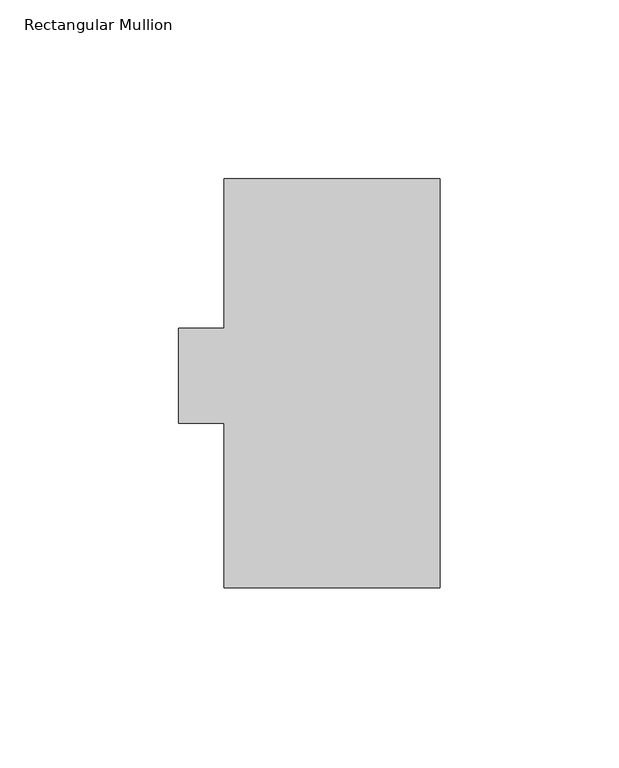
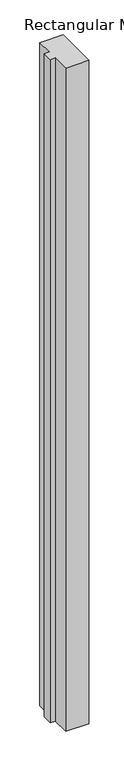
"""IFC4 building model written with IfcOpenShell, lengths in millimetres: member geometry, Rectangular Mullion."""

import ifcopenshell
import ifcopenshell.guid

model = None  # the IFC model being written
_history = None  # IfcOwnerHistory: only IFC2X3 demands one
_inside = {}  # id of a spatial element -> (the spatial element, [elements in it])
_under = {}  # id of a project, library or spatial element -> (it, [spatial elements below it])
_declared = {}  # id of a project -> (the project, [libraries it declares])
_typed = {}  # id of a type object -> (the type object, [elements of that type])
_made_of = {}  # id of a material, layer set ... -> (it, [elements and type objects made of it])


def new_model(schema):
    """Start an empty IFC model of exactly this schema.

    Asked for "IFC4X3", IfcOpenShell would pick the latest addendum, in which some entities
    have other attributes; the version numbers below select the first issue.
    IFC2X3 requires an IfcOwnerHistory on every rooted entity: one is made here for all.
    """
    global model, _history
    if schema == "IFC4X3":
        model = ifcopenshell.file(schema_version=(4, 3, 0, 0))
    else:
        model = ifcopenshell.file(schema=schema)
    _inside.clear()
    _under.clear()
    _declared.clear()
    _typed.clear()
    _made_of.clear()
    _history = None
    if model.schema == "IFC2X3":
        org = make("IfcOrganization", Name="unknown")
        user = make(
            "IfcPersonAndOrganization",
            ThePerson=make("IfcPerson", FamilyName="unknown"),
            TheOrganization=org,
        )
        app = make(
            "IfcApplication",
            ApplicationDeveloper=org,
            Version="unknown",
            ApplicationFullName="unknown",
            ApplicationIdentifier="unknown",
        )
        _history = make(
            "IfcOwnerHistory",
            OwningUser=user,
            OwningApplication=app,
            ChangeAction="ADDED",
            CreationDate=0,
        )
    return model


def make(cls, **values):
    """One entity of the class cls with the attributes given. An attribute that is None is left unset."""
    return model.create_entity(
        cls, **{name: value for name, value in values.items() if value is not None}
    )


def rooted(cls, **values):
    """An entity with a GlobalId (a new one), such as an element, a storey or a relation."""
    return make(cls, GlobalId=ifcopenshell.guid.new(), OwnerHistory=_history, **values)


def si_unit(unit_type, name, prefix=None):
    """IfcSIUnit, for example si_unit("LENGTHUNIT", "METRE", prefix="MILLI")."""
    return make("IfcSIUnit", UnitType=unit_type, Prefix=prefix, Name=name)


def assignment(units):
    """IfcUnitAssignment: the units of a project."""
    return None if units is None else make("IfcUnitAssignment", Units=units)


def point(xyz):
    """IfcCartesianPoint."""
    return None if xyz is None else make("IfcCartesianPoint", Coordinates=xyz)


def direction(xyz):
    """IfcDirection."""
    return None if xyz is None else make("IfcDirection", DirectionRatios=xyz)


def frame(location, z_axis=None, x_axis=None):
    """IfcAxis2Placement3D, a coordinate frame: its origin and axes. An axis left out is left unset."""
    return make(
        "IfcAxis2Placement3D",
        Location=point(location),
        Axis=direction(z_axis),
        RefDirection=direction(x_axis),
    )


def origin():
    """The frame at (0, 0, 0) with its axes left unset."""
    return frame((0.0, 0.0, 0.0))


def place(relative_to, where):
    """IfcLocalPlacement: puts the frame where relative to a parent placement (None: the world)."""
    return make(
        "IfcLocalPlacement", PlacementRelTo=relative_to, RelativePlacement=where
    )


def context(
    kind, dimensions, precision=None, world=None, true_north=None, identifier=None
):
    """IfcGeometricRepresentationContext, for example the 3D "Model" context."""
    return make(
        "IfcGeometricRepresentationContext",
        ContextIdentifier=identifier,
        ContextType=kind,
        CoordinateSpaceDimension=dimensions,
        Precision=precision,
        WorldCoordinateSystem=world,
        TrueNorth=true_north,
    )


def project(units=None, contexts=None):
    """IfcProject with its units and contexts."""
    return rooted(
        "IfcProject",
        Name="project",
        RepresentationContexts=contexts,
        UnitsInContext=assignment(units),
    )


def spatial(cls, under=None, at=None, **own):
    """A site, building, storey or space (cls), placed at a placement, below another one or the project."""
    s = rooted(cls, ObjectPlacement=at, **own)
    if under is not None:
        _under.setdefault(under.id(), (under, []))[1].append(s)
    return s


def polyline(points):
    """IfcPolyline through the points."""
    return make("IfcPolyline", Points=[point(p) for p in points])


def outline(outer, holes=None, kind="AREA"):
    """IfcArbitraryClosedProfileDef: a profile drawn as a closed curve; with holes, ...WithVoids."""
    if holes is None:
        return make("IfcArbitraryClosedProfileDef", ProfileType=kind, OuterCurve=outer)
    return make(
        "IfcArbitraryProfileDefWithVoids",
        ProfileType=kind,
        OuterCurve=outer,
        InnerCurves=holes,
    )


def extrude(swept, where, along, depth):
    """IfcExtrudedAreaSolid: the profile swept, set in the frame where, extruded along a direction by depth."""
    return make(
        "IfcExtrudedAreaSolid",
        SweptArea=swept,
        Position=where,
        ExtrudedDirection=direction(along),
        Depth=depth,
    )


def shape(context_of_items, identifier, shape_type, items):
    """IfcShapeRepresentation: the items that make up one representation, for example the "Body"."""
    return make(
        "IfcShapeRepresentation",
        ContextOfItems=context_of_items,
        RepresentationIdentifier=identifier,
        RepresentationType=shape_type,
        Items=items,
    )


def source(mapping_origin, context_of_items, identifier, shape_type, items):
    """IfcRepresentationMap: a shape defined once, which mapped items show again and again."""
    return make(
        "IfcRepresentationMap",
        MappingOrigin=mapping_origin,
        MappedRepresentation=shape(context_of_items, identifier, shape_type, items),
    )


def transform(
    local_origin,
    x_axis=None,
    y_axis=None,
    z_axis=None,
    scale=None,
    scale2=None,
    scale3=None,
    uniform=True,
):
    """IfcCartesianTransformationOperator3D, or its non-uniform kind. x_axis, y_axis, z_axis: its Axis1, 2, 3."""
    if uniform:
        return make(
            "IfcCartesianTransformationOperator3D",
            Axis1=direction(x_axis),
            Axis2=direction(y_axis),
            LocalOrigin=point(local_origin),
            Scale=scale,
            Axis3=direction(z_axis),
        )
    return make(
        "IfcCartesianTransformationOperator3DnonUniform",
        Axis1=direction(x_axis),
        Axis2=direction(y_axis),
        LocalOrigin=point(local_origin),
        Scale=scale,
        Axis3=direction(z_axis),
        Scale2=scale2,
        Scale3=scale3,
    )


def mapped(mapping_source, mapping_target):
    """IfcMappedItem: shows the shape of a source again, moved by a transform."""
    return make(
        "IfcMappedItem", MappingSource=mapping_source, MappingTarget=mapping_target
    )


def made_of(thing, what):
    """Note that an element or type object is made of a material, layer set ...; save() writes the relation."""
    if what is not None:
        _made_of.setdefault(what.id(), (what, []))[1].append(thing)
    return thing


def element(
    cls,
    number,
    at=None,
    inside=None,
    cuts=None,
    type_object=None,
    material=None,
    context=None,
    identifier="Body",
    shape_type=None,
    held_by="IfcProductDefinitionShape",
    body=None,
    shapes=None,
    **own,
):
    """One element of the class cls, such as IfcWall. Its Tag is "e" and its number.

    at: its placement. inside: the storey or other place that contains it. cuts: it is an
    opening in that element (IfcRelVoidsElement). A single representation is given by context,
    identifier, shape_type and body (its items); several are given by shapes. held_by: the class
    of the entity that holds the representations. save() writes the other relations.
    """
    e = rooted(cls, Tag="e%d" % number, ObjectPlacement=at, **own)
    if body is not None:
        shapes = [shape(context, identifier, shape_type, body)]
    if shapes is not None:
        e.Representation = make(held_by, Representations=shapes)
    if inside is not None:
        _inside.setdefault(inside.id(), (inside, []))[1].append(e)
    if cuts is not None:
        rooted(
            "IfcRelVoidsElement", RelatingBuildingElement=cuts, RelatedOpeningElement=e
        )
    if type_object is not None:
        _typed.setdefault(type_object.id(), (type_object, []))[1].append(e)
    return made_of(e, material)


def aggregate(whole, parts):
    """IfcRelAggregates: a whole, such as a stair, and the parts it consists of."""
    return rooted("IfcRelAggregates", RelatingObject=whole, RelatedObjects=parts)


def save(model, path):
    """Write the relations noted so far, then the file.

    IfcRelAggregates (storeys below a building ...), IfcRelContainedInSpatialStructure (elements
    in a storey), IfcRelDefinesByType, IfcRelAssociatesMaterial and IfcRelDeclares: one each for
    every whole, place, type object, material and project.
    """
    for whole, parts in _under.values():
        aggregate(whole, parts)
    for where, things in _inside.values():
        rooted(
            "IfcRelContainedInSpatialStructure",
            RelatedElements=things,
            RelatingStructure=where,
        )
    for kind, things in _typed.values():
        rooted("IfcRelDefinesByType", RelatedObjects=things, RelatingType=kind)
    for what, things in _made_of.values():
        rooted("IfcRelAssociatesMaterial", RelatedObjects=things, RelatingMaterial=what)
    for by, libraries in _declared.values():
        rooted("IfcRelDeclares", RelatingContext=by, RelatedDefinitions=libraries)
    model.write(path)


def rectangular_mullion_ee1c82d8(model_context):
    return source(origin(), model_context, "Body", "SweptSolid", [
        extrude(outline(polyline([(0.0, 114.271425), (0.0, -0.028575), (-60.325, -0.028575), (-60.325, 46.008925), (-73.025, 46.008925), (-73.025, 72.564625), (-60.325, 72.564625), (-60.325, 114.271425), (0.0, 114.271425)])), frame((0.0, 0.0, -1803.4), z_axis=(0.0, 0.0, 1.0), x_axis=(1.0, 0.0, 0.0)), (0.0, 0.0, 1.0), 1803.4),
    ])


if __name__ == "__main__":
    model = new_model("IFC4")
    model_context = context("Model", 3, world=origin())
    ifc_project = project(units=[si_unit("LENGTHUNIT", "METRE", prefix="MILLI")], contexts=[model_context])
    site = spatial("IfcSite", under=ifc_project)
    building = spatial("IfcBuilding", under=site)
    placement = place(None, origin())
    rectangular_mullion_shape = rectangular_mullion_ee1c82d8(model_context)
    element("IfcMember", 1, ObjectType="Rectangular Mullion", at=placement, inside=building, context=model_context, shape_type="MappedRepresentation", body=[
        mapped(rectangular_mullion_shape, transform((0.0, 0.0, 0.0), x_axis=(1.0, 0.0, 0.0), y_axis=(0.0, 1.0, 0.0), z_axis=(0.0, 0.0, 1.0))),
    ])
    save(model, "model.ifc")
